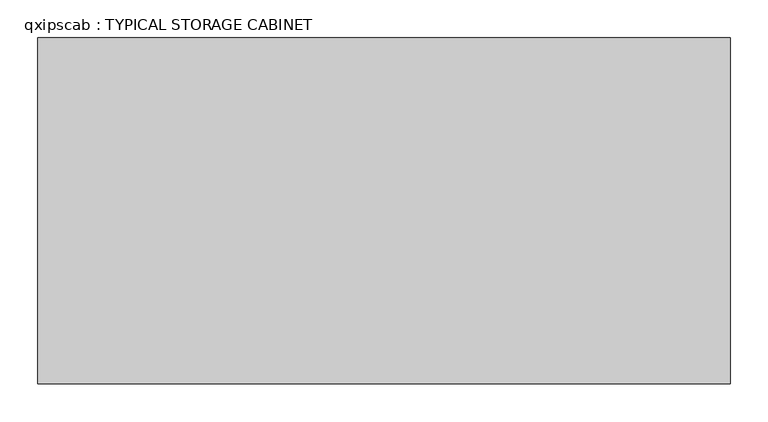
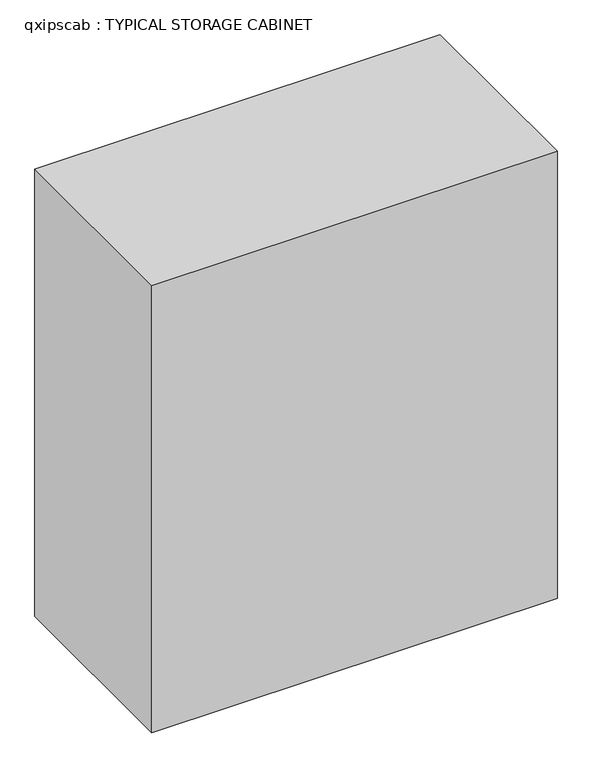
"""IFC4 building model written with IfcOpenShell, lengths in millimetres: proxy geometry, qxipscab : TYPICAL STORAGE CABINET."""

from ifc_helpers import new_model, si_unit, origin, origin_with_axes, place, context, project, spatial, polyline, outline, extrude, source, transform, mapped, element, save


def qxipscab_typical_storage_cabinet_f00c4dec(model_context):
    return source(origin(), model_context, "Body", "SweptSolid", [
        extrude(outline(polyline([(699.1803622, -909.4570561), (-215.2196378, -909.4570561), (-215.2196378, -452.2570561), (699.1803622, -452.2570561), (699.1803622, -909.4570561)])), origin_with_axes(), (0.0, 0.0, 1.0), 1066.8),
    ])


if __name__ == "__main__":
    model = new_model("IFC4")
    model_context = context("Model", 3, world=origin())
    ifc_project = project(units=[si_unit("LENGTHUNIT", "METRE", prefix="MILLI")], contexts=[model_context])
    site = spatial("IfcSite", under=ifc_project)
    building = spatial("IfcBuilding", under=site)
    placement = place(None, origin())
    qxipscab_typical_storage_cabinet_shape = qxipscab_typical_storage_cabinet_f00c4dec(model_context)
    element("IfcBuildingElementProxy", 1, Name="qxipscab : TYPICAL STORAGE CABINET", ObjectType="qxipscab : TYPICAL STORAGE CABINET", at=placement, inside=building, context=model_context, shape_type="MappedRepresentation", body=[
        mapped(qxipscab_typical_storage_cabinet_shape, transform((0.0, 0.0, 0.0), x_axis=(1.0, 0.0, 0.0), y_axis=(0.0, 1.0, 0.0), z_axis=(0.0, 0.0, 1.0))),
    ])
    save(model, "model.ifc")
